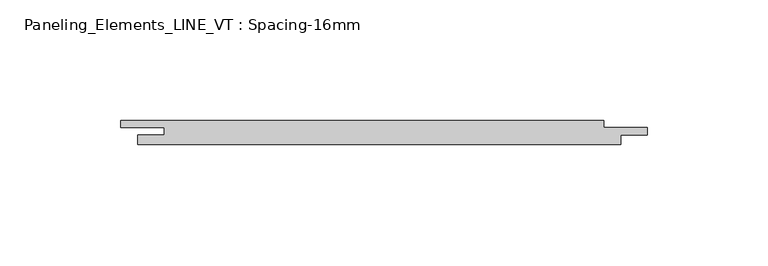
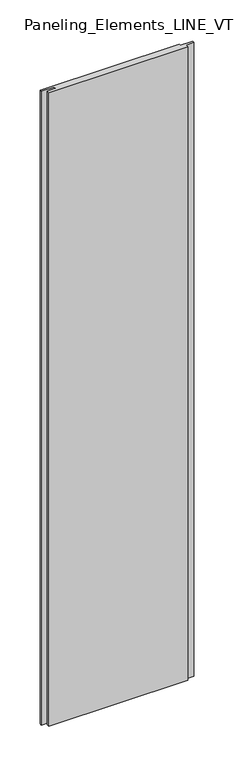
"""IFC4 building model written with IfcOpenShell, lengths in millimetres: plate geometry, Paneling_Elements_LINE_VT : Spacing-16mm."""

from ifc_helpers import new_model, si_unit, origin, origin_with_axes, place, context, project, spatial, polyline, outline, extrude, source, transform, mapped, element, save


def paneling_elements_line_vt_spacing_16mm_2d1a1c33(model_context):
    return source(origin(), model_context, "Body", "SweptSolid", [
        extrude(outline(polyline([(93.0, 5.0), (93.0, 2.0), (111.0, 2.0), (111.0, -1.0), (100.0, -1.0), (100.0, -5.0), (-100.0, -5.0), (-100.0, -1.0), (-89.0, -1.0), (-89.0, 2.0), (-107.0, 2.0), (-107.0, 5.0), (93.0, 5.0)])), origin_with_axes(), (0.0, 0.0, 1.0), 964.5),
    ])


if __name__ == "__main__":
    model = new_model("IFC4")
    model_context = context("Model", 3, world=origin())
    ifc_project = project(units=[si_unit("LENGTHUNIT", "METRE", prefix="MILLI")], contexts=[model_context])
    site = spatial("IfcSite", under=ifc_project)
    building = spatial("IfcBuilding", under=site)
    placement = place(None, origin())
    paneling_elements_line_vt_spacing_16mm_shape = paneling_elements_line_vt_spacing_16mm_2d1a1c33(model_context)
    element("IfcPlate", 1, ObjectType="Paneling_Elements_LINE_VT : Spacing-16mm", at=placement, inside=building, context=model_context, shape_type="MappedRepresentation", body=[
        mapped(paneling_elements_line_vt_spacing_16mm_shape, transform((0.0, 0.0, 0.0), x_axis=(1.0, 0.0, 0.0), y_axis=(0.0, 1.0, 0.0), z_axis=(0.0, 0.0, 1.0))),
    ])
    save(model, "model.ifc")
